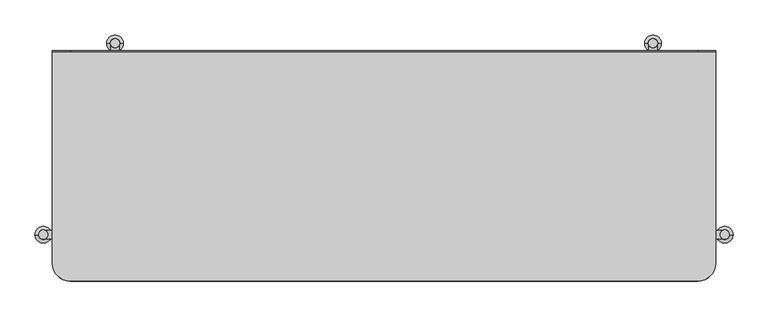
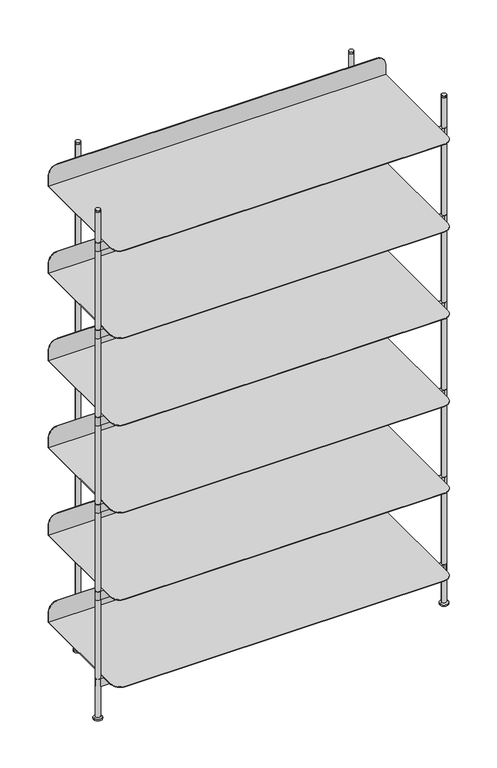
"""IFC4 building model written with IfcOpenShell, lengths in millimetres: furniture geometry."""

from ifc_helpers import new_model, si_unit, point, frame, frame_2d, origin, origin_with_axes, place, context, project, spatial, polyline, circle_curve, trimmed, segment, composite_curve, outline, extrude, source, transform, mapped, element, save
from ifc_brep_helpers import plane_surface, cylinder_surface, revolved_surface, advanced_brep


def furniture_cf4e018a(model_context):
    return source(origin(), model_context, "Body", "SolidModel", [
        advanced_brep(
        [(-575.0000044, -169.5200015, 1723.078596), (-544.5200044, -200.0000015, 1723.078596), (544.5200044, -200.0000015, 1723.078596), (575.0000044, -169.5200015, 1723.078596), (575.0000044, 197.9999964, 1723.078596), (-575.0000044, 197.9999964, 1723.078596), (-575.0000044, -169.5200015, 1721.0786), (-575.0000044, 200.0000015, 1721.0786), (575.0000044, 200.0000015, 1721.0786), (575.0000044, -169.5200015, 1721.0786), (544.5200044, -200.0000015, 1721.0786), (-544.5200044, -200.0000015, 1721.0786), (-575.0000044, 197.9999964, 1760.598606), (-575.0000044, 200.0000015, 1760.598606), (575.0000044, 200.0000015, 1760.598606), (575.0000044, 197.9999964, 1760.598606), (-544.5200044, 200.0000015, 1791.078606), (544.5200044, 200.0000015, 1791.078606), (544.5200044, 197.9999964, 1791.078606), (-544.5200044, 197.9999964, 1791.078606)],
        [
            (0, 1, circle_curve(frame((-544.5200044, -169.5200015, 1723.078596), z_axis=(0.0, 0.0, 1.0), x_axis=(1.0, 0.0, 0.0)), 30.48)),
            (1, 2),
            (2, 3, circle_curve(frame((544.5200044, -169.5200015, 1723.078596), z_axis=(0.0, 0.0, 1.0), x_axis=(1.0, 0.0, 0.0)), 30.48)),
            (3, 4),
            (4, 5),
            (5, 0),
            (6, 7),
            (7, 8),
            (8, 9),
            (9, 10, circle_curve(frame((544.5200044, -169.5200015, 1721.0786), z_axis=(0.0, 0.0, -1.0), x_axis=(1.0, 0.0, 0.0)), 30.48)),
            (10, 11),
            (11, 6, circle_curve(frame((-544.5200044, -169.5200015, 1721.0786), z_axis=(0.0, 0.0, -1.0), x_axis=(1.0, 0.0, 0.0)), 30.48)),
            (6, 0),
            (5, 12),
            (12, 13),
            (13, 7),
            (11, 1),
            (10, 2),
            (9, 3),
            (8, 14),
            (14, 15),
            (15, 4),
            (13, 16, circle_curve(frame((-544.5200044, 200.0000015, 1760.598606), z_axis=(0.0, 1.0, 0.0), x_axis=(0.0, 0.0, -1.0)), 30.48)),
            (16, 17),
            (17, 14, circle_curve(frame((544.5200044, 200.0000015, 1760.598606), z_axis=(0.0, 1.0, 0.0), x_axis=(0.0, 0.0, -1.0)), 30.48)),
            (15, 18, circle_curve(frame((544.5200044, 197.9999964, 1760.598606), z_axis=(0.0, -1.0, 0.0), x_axis=(0.0, 0.0, -1.0)), 30.48)),
            (18, 19),
            (19, 12, circle_curve(frame((-544.5200044, 197.9999964, 1760.598606), z_axis=(0.0, -1.0, 0.0), x_axis=(0.0, 0.0, -1.0)), 30.48)),
            (19, 16),
            (18, 17),
        ],
        [
            plane_surface(frame((-575.0000044, -169.9999977, 1723.078596), z_axis=(0.0, 0.0, 1.0), x_axis=(0.0, -1.0, 0.0))),
            plane_surface(frame((-575.0000044, -169.9999977, 1721.0786), z_axis=(0.0, 0.0, -1.0), x_axis=(0.0, 1.0, 0.0))),
            plane_surface(frame((-575.0000044, 200.0000015, 1723.078596), z_axis=(-1.0, 0.0, 0.0), x_axis=(0.0, 0.0, -1.0))),
            cylinder_surface(frame((-544.5200044, -169.5200015, 1721.0786), z_axis=(0.0, 0.0, 1.0), x_axis=(1.0, 0.0, 0.0)), 30.48),
            plane_surface(frame((-544.5200044, -200.0000015, 1723.078596), z_axis=(0.0, -1.0, 0.0), x_axis=(0.0, 0.0, -1.0))),
            cylinder_surface(frame((544.5200044, -169.5200015, 1721.0786), z_axis=(0.0, 0.0, 1.0), x_axis=(1.0, 0.0, 0.0)), 30.48),
            plane_surface(frame((575.0000044, -169.5200015, 1723.078596), z_axis=(1.0, 0.0, 0.0), x_axis=(0.0, 0.0, -1.0))),
            plane_surface(frame((575.0000044, 200.0000015, 1723.078596), z_axis=(0.0, 1.0, 0.0), x_axis=(0.0, 0.0, -1.0))),
            plane_surface(frame((-544.5200044, 197.9999964, 1730.118606), z_axis=(0.0, -1.0, 0.0), x_axis=(1.0, 0.0, 0.0))),
            cylinder_surface(frame((-544.5200044, 197.9999964, 1760.598606), z_axis=(0.0, 1.0, 0.0), x_axis=(0.0, 0.0, -1.0)), 30.48),
            plane_surface(frame((-544.5200044, 200.0000015, 1791.078606), z_axis=(0.0, 0.0, 1.0), x_axis=(0.0, -1.0, 0.0))),
            cylinder_surface(frame((544.5200044, 197.9999964, 1760.598606), z_axis=(0.0, 1.0, 0.0), x_axis=(0.0, 0.0, -1.0)), 30.48),
        ],
        [
            (0, [[1, 2, 3, 4, 5, 6]]),
            (1, [[7, 8, 9, 10, 11, 12]]),
            (2, [[13, -6, 14, 15, 16, -7]]),
            (3, [[-1, -13, -12, 17]]),
            (4, [[-2, -17, -11, 18]]),
            (5, [[-3, -18, -10, 19]]),
            (6, [[-19, -9, 20, 21, 22, -4]]),
            (7, [[-20, -8, -16, 23, 24, 25]]),
            (8, [[26, 27, 28, -14, -5, -22]]),
            (9, [[-28, 29, -23, -15]]),
            (10, [[-27, 30, -24, -29]]),
            (11, [[-26, -21, -25, -30]]),
        ],
    ),
        extrude(outline(composite_curve([segment(polyline([(-459.0003625, 209.8658567), (-459.0003625, -112.0003856), (459.0003625, -112.0003856), (459.0003625, 209.8658567)]), True, "CONTINUOUS"), segment(trimmed(circle_curve(frame_2d((466.5001591, 212.9991354)), 8.128), [point((459.0003625, 209.8658567))], [point((473.999992, 209.8659437))], False, "CARTESIAN"), True, "CONTINUOUS"), segment(polyline([(473.999992, 209.8659437), (473.999992, -112.0003856), (587.8668609, -112.0003856)]), True, "CONTINUOUS"), segment(trimmed(circle_curve(frame_2d((591.0001179, -119.5001913)), 8.128), [point((587.8668609, -112.0003856))], [point((587.8668609, -126.999997))], False, "CARTESIAN"), True, "CONTINUOUS"), segment(polyline([(587.8668609, -126.999997), (-587.8668609, -126.999997)]), True, "CONTINUOUS"), segment(trimmed(circle_curve(frame_2d((-591.0001179, -119.5001913)), 8.128), [point((-587.8668609, -126.999997))], [point((-587.8668609, -112.0003856))], False, "CARTESIAN"), True, "CONTINUOUS"), segment(polyline([(-587.8668609, -112.0003856), (-473.999992, -112.0003856), (-473.999992, 209.8659437)]), True, "CONTINUOUS"), segment(trimmed(circle_curve(frame_2d((-466.5001591, 212.9991354)), 8.128), [point((-473.999992, 209.8659437))], [point((-459.0003625, 209.8658567))], False, "CARTESIAN"), True, "CONTINUOUS")], self_intersect=False)), frame((0.0, 0.0, 1691.0785961), z_axis=(0.0, 0.0, 1.0), x_axis=(1.0, 0.0, 0.0)), (0.0, 0.0, 1.0), 30.0000039),
        advanced_brep(
        [(-575.0000044, -169.5200015, 1408.093196), (-544.5200044, -200.0000015, 1408.093196), (544.5200044, -200.0000015, 1408.093196), (575.0000044, -169.5200015, 1408.093196), (575.0000044, 197.9999964, 1408.093196), (-575.0000044, 197.9999964, 1408.093196), (-575.0000044, -169.5200015, 1406.0932), (-575.0000044, 200.0000015, 1406.0932), (575.0000044, 200.0000015, 1406.0932), (575.0000044, -169.5200015, 1406.0932), (544.5200044, -200.0000015, 1406.0932), (-544.5200044, -200.0000015, 1406.0932), (-575.0000044, 197.9999964, 1445.613206), (-575.0000044, 200.0000015, 1445.613206), (575.0000044, 200.0000015, 1445.613206), (575.0000044, 197.9999964, 1445.613206), (-544.5200044, 200.0000015, 1476.093206), (544.5200044, 200.0000015, 1476.093206), (544.5200044, 197.9999964, 1476.093206), (-544.5200044, 197.9999964, 1476.093206)],
        [
            (0, 1, circle_curve(frame((-544.5200044, -169.5200015, 1408.093196), z_axis=(0.0, 0.0, 1.0), x_axis=(1.0, 0.0, 0.0)), 30.48)),
            (1, 2),
            (2, 3, circle_curve(frame((544.5200044, -169.5200015, 1408.093196), z_axis=(0.0, 0.0, 1.0), x_axis=(1.0, 0.0, 0.0)), 30.48)),
            (3, 4),
            (4, 5),
            (5, 0),
            (6, 7),
            (7, 8),
            (8, 9),
            (9, 10, circle_curve(frame((544.5200044, -169.5200015, 1406.0932), z_axis=(0.0, 0.0, -1.0), x_axis=(1.0, 0.0, 0.0)), 30.48)),
            (10, 11),
            (11, 6, circle_curve(frame((-544.5200044, -169.5200015, 1406.0932), z_axis=(0.0, 0.0, -1.0), x_axis=(1.0, 0.0, 0.0)), 30.48)),
            (6, 0),
            (5, 12),
            (12, 13),
            (13, 7),
            (11, 1),
            (10, 2),
            (9, 3),
            (8, 14),
            (14, 15),
            (15, 4),
            (13, 16, circle_curve(frame((-544.5200044, 200.0000015, 1445.613206), z_axis=(0.0, 1.0, 0.0), x_axis=(0.0, 0.0, -1.0)), 30.48)),
            (16, 17),
            (17, 14, circle_curve(frame((544.5200044, 200.0000015, 1445.613206), z_axis=(0.0, 1.0, 0.0), x_axis=(0.0, 0.0, -1.0)), 30.48)),
            (15, 18, circle_curve(frame((544.5200044, 197.9999964, 1445.613206), z_axis=(0.0, -1.0, 0.0), x_axis=(0.0, 0.0, -1.0)), 30.48)),
            (18, 19),
            (19, 12, circle_curve(frame((-544.5200044, 197.9999964, 1445.613206), z_axis=(0.0, -1.0, 0.0), x_axis=(0.0, 0.0, -1.0)), 30.48)),
            (19, 16),
            (18, 17),
        ],
        [
            plane_surface(frame((-575.0000044, -169.9999977, 1408.093196), z_axis=(0.0, 0.0, 1.0), x_axis=(0.0, -1.0, 0.0))),
            plane_surface(frame((-575.0000044, -169.9999977, 1406.0932), z_axis=(0.0, 0.0, -1.0), x_axis=(0.0, 1.0, 0.0))),
            plane_surface(frame((-575.0000044, 200.0000015, 1408.093196), z_axis=(-1.0, 0.0, 0.0), x_axis=(0.0, 0.0, -1.0))),
            cylinder_surface(frame((-544.5200044, -169.5200015, 1406.0932), z_axis=(0.0, 0.0, 1.0), x_axis=(1.0, 0.0, 0.0)), 30.48),
            plane_surface(frame((-544.5200044, -200.0000015, 1408.093196), z_axis=(0.0, -1.0, 0.0), x_axis=(0.0, 0.0, -1.0))),
            cylinder_surface(frame((544.5200044, -169.5200015, 1406.0932), z_axis=(0.0, 0.0, 1.0), x_axis=(1.0, 0.0, 0.0)), 30.48),
            plane_surface(frame((575.0000044, -169.5200015, 1408.093196), z_axis=(1.0, 0.0, 0.0), x_axis=(0.0, 0.0, -1.0))),
            plane_surface(frame((575.0000044, 200.0000015, 1408.093196), z_axis=(0.0, 1.0, 0.0), x_axis=(0.0, 0.0, -1.0))),
            plane_surface(frame((-544.5200044, 197.9999964, 1415.133206), z_axis=(0.0, -1.0, 0.0), x_axis=(1.0, 0.0, 0.0))),
            cylinder_surface(frame((-544.5200044, 197.9999964, 1445.613206), z_axis=(0.0, 1.0, 0.0), x_axis=(0.0, 0.0, -1.0)), 30.48),
            plane_surface(frame((-544.5200044, 200.0000015, 1476.093206), z_axis=(0.0, 0.0, 1.0), x_axis=(0.0, -1.0, 0.0))),
            cylinder_surface(frame((544.5200044, 197.9999964, 1445.613206), z_axis=(0.0, 1.0, 0.0), x_axis=(0.0, 0.0, -1.0)), 30.48),
        ],
        [
            (0, [[1, 2, 3, 4, 5, 6]]),
            (1, [[7, 8, 9, 10, 11, 12]]),
            (2, [[13, -6, 14, 15, 16, -7]]),
            (3, [[-1, -13, -12, 17]]),
            (4, [[-2, -17, -11, 18]]),
            (5, [[-3, -18, -10, 19]]),
            (6, [[-19, -9, 20, 21, 22, -4]]),
            (7, [[-20, -8, -16, 23, 24, 25]]),
            (8, [[26, 27, 28, -14, -5, -22]]),
            (9, [[-28, 29, -23, -15]]),
            (10, [[-27, 30, -24, -29]]),
            (11, [[-26, -21, -25, -30]]),
        ],
    ),
        extrude(outline(composite_curve([segment(polyline([(-459.0003625, 209.8658567), (-459.0003625, -112.0003856), (459.0003625, -112.0003856), (459.0003625, 209.8658567)]), True, "CONTINUOUS"), segment(trimmed(circle_curve(frame_2d((466.5001591, 212.9991354)), 8.128), [point((459.0003625, 209.8658567))], [point((473.999992, 209.8659437))], False, "CARTESIAN"), True, "CONTINUOUS"), segment(polyline([(473.999992, 209.8659437), (473.999992, -112.0003856), (587.8668609, -112.0003856)]), True, "CONTINUOUS"), segment(trimmed(circle_curve(frame_2d((591.0001179, -119.5001913)), 8.128), [point((587.8668609, -112.0003856))], [point((587.8668609, -126.999997))], False, "CARTESIAN"), True, "CONTINUOUS"), segment(polyline([(587.8668609, -126.999997), (-587.8668609, -126.999997)]), True, "CONTINUOUS"), segment(trimmed(circle_curve(frame_2d((-591.0001179, -119.5001913)), 8.128), [point((-587.8668609, -126.999997))], [point((-587.8668609, -112.0003856))], False, "CARTESIAN"), True, "CONTINUOUS"), segment(polyline([(-587.8668609, -112.0003856), (-473.999992, -112.0003856), (-473.999992, 209.8659437)]), True, "CONTINUOUS"), segment(trimmed(circle_curve(frame_2d((-466.5001591, 212.9991354)), 8.128), [point((-473.999992, 209.8659437))], [point((-459.0003625, 209.8658567))], False, "CARTESIAN"), True, "CONTINUOUS")], self_intersect=False)), frame((0.0, 0.0, 1376.0931961), z_axis=(0.0, 0.0, 1.0), x_axis=(1.0, 0.0, 0.0)), (0.0, 0.0, 1.0), 30.0000039),
        advanced_brep(
        [(-575.0000044, -169.5200015, 1093.107796), (-544.5200044, -200.0000015, 1093.107796), (544.5200044, -200.0000015, 1093.107796), (575.0000044, -169.5200015, 1093.107796), (575.0000044, 197.9999964, 1093.107796), (-575.0000044, 197.9999964, 1093.107796), (-575.0000044, -169.5200015, 1091.1078), (-575.0000044, 200.0000015, 1091.1078), (575.0000044, 200.0000015, 1091.1078), (575.0000044, -169.5200015, 1091.1078), (544.5200044, -200.0000015, 1091.1078), (-544.5200044, -200.0000015, 1091.1078), (-575.0000044, 197.9999964, 1130.627806), (-575.0000044, 200.0000015, 1130.627806), (575.0000044, 200.0000015, 1130.627806), (575.0000044, 197.9999964, 1130.627806), (-544.5200044, 200.0000015, 1161.107806), (544.5200044, 200.0000015, 1161.107806), (544.5200044, 197.9999964, 1161.107806), (-544.5200044, 197.9999964, 1161.107806)],
        [
            (0, 1, circle_curve(frame((-544.5200044, -169.5200015, 1093.107796), z_axis=(0.0, 0.0, 1.0), x_axis=(1.0, 0.0, 0.0)), 30.48)),
            (1, 2),
            (2, 3, circle_curve(frame((544.5200044, -169.5200015, 1093.107796), z_axis=(0.0, 0.0, 1.0), x_axis=(1.0, 0.0, 0.0)), 30.48)),
            (3, 4),
            (4, 5),
            (5, 0),
            (6, 7),
            (7, 8),
            (8, 9),
            (9, 10, circle_curve(frame((544.5200044, -169.5200015, 1091.1078), z_axis=(0.0, 0.0, -1.0), x_axis=(1.0, 0.0, 0.0)), 30.48)),
            (10, 11),
            (11, 6, circle_curve(frame((-544.5200044, -169.5200015, 1091.1078), z_axis=(0.0, 0.0, -1.0), x_axis=(1.0, 0.0, 0.0)), 30.48)),
            (6, 0),
            (5, 12),
            (12, 13),
            (13, 7),
            (11, 1),
            (10, 2),
            (9, 3),
            (8, 14),
            (14, 15),
            (15, 4),
            (13, 16, circle_curve(frame((-544.5200044, 200.0000015, 1130.627806), z_axis=(0.0, 1.0, 0.0), x_axis=(0.0, 0.0, -1.0)), 30.48)),
            (16, 17),
            (17, 14, circle_curve(frame((544.5200044, 200.0000015, 1130.627806), z_axis=(0.0, 1.0, 0.0), x_axis=(0.0, 0.0, -1.0)), 30.48)),
            (15, 18, circle_curve(frame((544.5200044, 197.9999964, 1130.627806), z_axis=(0.0, -1.0, 0.0), x_axis=(0.0, 0.0, -1.0)), 30.48)),
            (18, 19),
            (19, 12, circle_curve(frame((-544.5200044, 197.9999964, 1130.627806), z_axis=(0.0, -1.0, 0.0), x_axis=(0.0, 0.0, -1.0)), 30.48)),
            (19, 16),
            (18, 17),
        ],
        [
            plane_surface(frame((-575.0000044, -169.9999977, 1093.107796), z_axis=(0.0, 0.0, 1.0), x_axis=(0.0, -1.0, 0.0))),
            plane_surface(frame((-575.0000044, -169.9999977, 1091.1078), z_axis=(0.0, 0.0, -1.0), x_axis=(0.0, 1.0, 0.0))),
            plane_surface(frame((-575.0000044, 200.0000015, 1093.107796), z_axis=(-1.0, 0.0, 0.0), x_axis=(0.0, 0.0, -1.0))),
            cylinder_surface(frame((-544.5200044, -169.5200015, 1091.1078), z_axis=(0.0, 0.0, 1.0), x_axis=(1.0, 0.0, 0.0)), 30.48),
            plane_surface(frame((-544.5200044, -200.0000015, 1093.107796), z_axis=(0.0, -1.0, 0.0), x_axis=(0.0, 0.0, -1.0))),
            cylinder_surface(frame((544.5200044, -169.5200015, 1091.1078), z_axis=(0.0, 0.0, 1.0), x_axis=(1.0, 0.0, 0.0)), 30.48),
            plane_surface(frame((575.0000044, -169.5200015, 1093.107796), z_axis=(1.0, 0.0, 0.0), x_axis=(0.0, 0.0, -1.0))),
            plane_surface(frame((575.0000044, 200.0000015, 1093.107796), z_axis=(0.0, 1.0, 0.0), x_axis=(0.0, 0.0, -1.0))),
            plane_surface(frame((-544.5200044, 197.9999964, 1100.147806), z_axis=(0.0, -1.0, 0.0), x_axis=(1.0, 0.0, 0.0))),
            cylinder_surface(frame((-544.5200044, 197.9999964, 1130.627806), z_axis=(0.0, 1.0, 0.0), x_axis=(0.0, 0.0, -1.0)), 30.48),
            plane_surface(frame((-544.5200044, 200.0000015, 1161.107806), z_axis=(0.0, 0.0, 1.0), x_axis=(0.0, -1.0, 0.0))),
            cylinder_surface(frame((544.5200044, 197.9999964, 1130.627806), z_axis=(0.0, 1.0, 0.0), x_axis=(0.0, 0.0, -1.0)), 30.48),
        ],
        [
            (0, [[1, 2, 3, 4, 5, 6]]),
            (1, [[7, 8, 9, 10, 11, 12]]),
            (2, [[13, -6, 14, 15, 16, -7]]),
            (3, [[-1, -13, -12, 17]]),
            (4, [[-2, -17, -11, 18]]),
            (5, [[-3, -18, -10, 19]]),
            (6, [[-19, -9, 20, 21, 22, -4]]),
            (7, [[-20, -8, -16, 23, 24, 25]]),
            (8, [[26, 27, 28, -14, -5, -22]]),
            (9, [[-28, 29, -23, -15]]),
            (10, [[-27, 30, -24, -29]]),
            (11, [[-26, -21, -25, -30]]),
        ],
    ),
        extrude(outline(composite_curve([segment(polyline([(-459.0003625, 209.8658567), (-459.0003625, -112.0003856), (459.0003625, -112.0003856), (459.0003625, 209.8658567)]), True, "CONTINUOUS"), segment(trimmed(circle_curve(frame_2d((466.5001591, 212.9991354)), 8.128), [point((459.0003625, 209.8658567))], [point((473.999992, 209.8659437))], False, "CARTESIAN"), True, "CONTINUOUS"), segment(polyline([(473.999992, 209.8659437), (473.999992, -112.0003856), (587.8668609, -112.0003856)]), True, "CONTINUOUS"), segment(trimmed(circle_curve(frame_2d((591.0001179, -119.5001913)), 8.128), [point((587.8668609, -112.0003856))], [point((587.8668609, -126.999997))], False, "CARTESIAN"), True, "CONTINUOUS"), segment(polyline([(587.8668609, -126.999997), (-587.8668609, -126.999997)]), True, "CONTINUOUS"), segment(trimmed(circle_curve(frame_2d((-591.0001179, -119.5001913)), 8.128), [point((-587.8668609, -126.999997))], [point((-587.8668609, -112.0003856))], False, "CARTESIAN"), True, "CONTINUOUS"), segment(polyline([(-587.8668609, -112.0003856), (-473.999992, -112.0003856), (-473.999992, 209.8659437)]), True, "CONTINUOUS"), segment(trimmed(circle_curve(frame_2d((-466.5001591, 212.9991354)), 8.128), [point((-473.999992, 209.8659437))], [point((-459.0003625, 209.8658567))], False, "CARTESIAN"), True, "CONTINUOUS")], self_intersect=False)), frame((0.0, 0.0, 1061.1077961), z_axis=(0.0, 0.0, 1.0), x_axis=(1.0, 0.0, 0.0)), (0.0, 0.0, 1.0), 30.0000039),
        advanced_brep(
        [(-575.0000044, -169.5200015, 778.122396), (-544.5200044, -200.0000015, 778.122396), (544.5200044, -200.0000015, 778.122396), (575.0000044, -169.5200015, 778.122396), (575.0000044, 197.9999964, 778.122396), (-575.0000044, 197.9999964, 778.122396), (-575.0000044, -169.5200015, 776.1224), (-575.0000044, 200.0000015, 776.1224), (575.0000044, 200.0000015, 776.1224), (575.0000044, -169.5200015, 776.1224), (544.5200044, -200.0000015, 776.1224), (-544.5200044, -200.0000015, 776.1224), (-575.0000044, 197.9999964, 815.642406), (-575.0000044, 200.0000015, 815.642406), (575.0000044, 200.0000015, 815.642406), (575.0000044, 197.9999964, 815.642406), (-544.5200044, 200.0000015, 846.122406), (544.5200044, 200.0000015, 846.122406), (544.5200044, 197.9999964, 846.122406), (-544.5200044, 197.9999964, 846.122406)],
        [
            (0, 1, circle_curve(frame((-544.5200044, -169.5200015, 778.122396), z_axis=(0.0, 0.0, 1.0), x_axis=(1.0, 0.0, 0.0)), 30.48)),
            (1, 2),
            (2, 3, circle_curve(frame((544.5200044, -169.5200015, 778.122396), z_axis=(0.0, 0.0, 1.0), x_axis=(1.0, 0.0, 0.0)), 30.48)),
            (3, 4),
            (4, 5),
            (5, 0),
            (6, 7),
            (7, 8),
            (8, 9),
            (9, 10, circle_curve(frame((544.5200044, -169.5200015, 776.1224), z_axis=(0.0, 0.0, -1.0), x_axis=(1.0, 0.0, 0.0)), 30.48)),
            (10, 11),
            (11, 6, circle_curve(frame((-544.5200044, -169.5200015, 776.1224), z_axis=(0.0, 0.0, -1.0), x_axis=(1.0, 0.0, 0.0)), 30.48)),
            (6, 0),
            (5, 12),
            (12, 13),
            (13, 7),
            (11, 1),
            (10, 2),
            (9, 3),
            (8, 14),
            (14, 15),
            (15, 4),
            (13, 16, circle_curve(frame((-544.5200044, 200.0000015, 815.642406), z_axis=(0.0, 1.0, 0.0), x_axis=(0.0, 0.0, -1.0)), 30.48)),
            (16, 17),
            (17, 14, circle_curve(frame((544.5200044, 200.0000015, 815.642406), z_axis=(0.0, 1.0, 0.0), x_axis=(0.0, 0.0, -1.0)), 30.48)),
            (15, 18, circle_curve(frame((544.5200044, 197.9999964, 815.642406), z_axis=(0.0, -1.0, 0.0), x_axis=(0.0, 0.0, -1.0)), 30.48)),
            (18, 19),
            (19, 12, circle_curve(frame((-544.5200044, 197.9999964, 815.642406), z_axis=(0.0, -1.0, 0.0), x_axis=(0.0, 0.0, -1.0)), 30.48)),
            (19, 16),
            (18, 17),
        ],
        [
            plane_surface(frame((-575.0000044, -169.9999977, 778.122396), z_axis=(0.0, 0.0, 1.0), x_axis=(0.0, -1.0, 0.0))),
            plane_surface(frame((-575.0000044, -169.9999977, 776.1224), z_axis=(0.0, 0.0, -1.0), x_axis=(0.0, 1.0, 0.0))),
            plane_surface(frame((-575.0000044, 200.0000015, 778.122396), z_axis=(-1.0, 0.0, 0.0), x_axis=(0.0, 0.0, -1.0))),
            cylinder_surface(frame((-544.5200044, -169.5200015, 776.1224), z_axis=(0.0, 0.0, 1.0), x_axis=(1.0, 0.0, 0.0)), 30.48),
            plane_surface(frame((-544.5200044, -200.0000015, 778.122396), z_axis=(0.0, -1.0, 0.0), x_axis=(0.0, 0.0, -1.0))),
            cylinder_surface(frame((544.5200044, -169.5200015, 776.1224), z_axis=(0.0, 0.0, 1.0), x_axis=(1.0, 0.0, 0.0)), 30.48),
            plane_surface(frame((575.0000044, -169.5200015, 778.122396), z_axis=(1.0, 0.0, 0.0), x_axis=(0.0, 0.0, -1.0))),
            plane_surface(frame((575.0000044, 200.0000015, 778.122396), z_axis=(0.0, 1.0, 0.0), x_axis=(0.0, 0.0, -1.0))),
            plane_surface(frame((-544.5200044, 197.9999964, 785.162406), z_axis=(0.0, -1.0, 0.0), x_axis=(1.0, 0.0, 0.0))),
            cylinder_surface(frame((-544.5200044, 197.9999964, 815.642406), z_axis=(0.0, 1.0, 0.0), x_axis=(0.0, 0.0, -1.0)), 30.48),
            plane_surface(frame((-544.5200044, 200.0000015, 846.122406), z_axis=(0.0, 0.0, 1.0), x_axis=(0.0, -1.0, 0.0))),
            cylinder_surface(frame((544.5200044, 197.9999964, 815.642406), z_axis=(0.0, 1.0, 0.0), x_axis=(0.0, 0.0, -1.0)), 30.48),
        ],
        [
            (0, [[1, 2, 3, 4, 5, 6]]),
            (1, [[7, 8, 9, 10, 11, 12]]),
            (2, [[13, -6, 14, 15, 16, -7]]),
            (3, [[-1, -13, -12, 17]]),
            (4, [[-2, -17, -11, 18]]),
            (5, [[-3, -18, -10, 19]]),
            (6, [[-19, -9, 20, 21, 22, -4]]),
            (7, [[-20, -8, -16, 23, 24, 25]]),
            (8, [[26, 27, 28, -14, -5, -22]]),
            (9, [[-28, 29, -23, -15]]),
            (10, [[-27, 30, -24, -29]]),
            (11, [[-26, -21, -25, -30]]),
        ],
    ),
        extrude(outline(composite_curve([segment(polyline([(-459.0003625, 209.8658567), (-459.0003625, -112.0003856), (459.0003625, -112.0003856), (459.0003625, 209.8658567)]), True, "CONTINUOUS"), segment(trimmed(circle_curve(frame_2d((466.5001591, 212.9991354)), 8.128), [point((459.0003625, 209.8658567))], [point((473.999992, 209.8659437))], False, "CARTESIAN"), True, "CONTINUOUS"), segment(polyline([(473.999992, 209.8659437), (473.999992, -112.0003856), (587.8668609, -112.0003856)]), True, "CONTINUOUS"), segment(trimmed(circle_curve(frame_2d((591.0001179, -119.5001913)), 8.128), [point((587.8668609, -112.0003856))], [point((587.8668609, -126.999997))], False, "CARTESIAN"), True, "CONTINUOUS"), segment(polyline([(587.8668609, -126.999997), (-587.8668609, -126.999997)]), True, "CONTINUOUS"), segment(trimmed(circle_curve(frame_2d((-591.0001179, -119.5001913)), 8.128), [point((-587.8668609, -126.999997))], [point((-587.8668609, -112.0003856))], False, "CARTESIAN"), True, "CONTINUOUS"), segment(polyline([(-587.8668609, -112.0003856), (-473.999992, -112.0003856), (-473.999992, 209.8659437)]), True, "CONTINUOUS"), segment(trimmed(circle_curve(frame_2d((-466.5001591, 212.9991354)), 8.128), [point((-473.999992, 209.8659437))], [point((-459.0003625, 209.8658567))], False, "CARTESIAN"), True, "CONTINUOUS")], self_intersect=False)), frame((0.0, 0.0, 746.1223961), z_axis=(0.0, 0.0, 1.0), x_axis=(1.0, 0.0, 0.0)), (0.0, 0.0, 1.0), 30.0000039),
        advanced_brep(
        [(-575.0000044, -169.5200015, 463.136996), (-544.5200044, -200.0000015, 463.136996), (544.5200044, -200.0000015, 463.136996), (575.0000044, -169.5200015, 463.136996), (575.0000044, 197.9999964, 463.136996), (-575.0000044, 197.9999964, 463.136996), (-575.0000044, -169.5200015, 461.137), (-575.0000044, 200.0000015, 461.137), (575.0000044, 200.0000015, 461.137), (575.0000044, -169.5200015, 461.137), (544.5200044, -200.0000015, 461.137), (-544.5200044, -200.0000015, 461.137), (-575.0000044, 197.9999964, 500.657006), (-575.0000044, 200.0000015, 500.657006), (575.0000044, 200.0000015, 500.657006), (575.0000044, 197.9999964, 500.657006), (-544.5200044, 200.0000015, 531.137006), (544.5200044, 200.0000015, 531.137006), (544.5200044, 197.9999964, 531.137006), (-544.5200044, 197.9999964, 531.137006)],
        [
            (0, 1, circle_curve(frame((-544.5200044, -169.5200015, 463.136996), z_axis=(0.0, 0.0, 1.0), x_axis=(1.0, 0.0, 0.0)), 30.48)),
            (1, 2),
            (2, 3, circle_curve(frame((544.5200044, -169.5200015, 463.136996), z_axis=(0.0, 0.0, 1.0), x_axis=(1.0, 0.0, 0.0)), 30.48)),
            (3, 4),
            (4, 5),
            (5, 0),
            (6, 7),
            (7, 8),
            (8, 9),
            (9, 10, circle_curve(frame((544.5200044, -169.5200015, 461.137), z_axis=(0.0, 0.0, -1.0), x_axis=(1.0, 0.0, 0.0)), 30.48)),
            (10, 11),
            (11, 6, circle_curve(frame((-544.5200044, -169.5200015, 461.137), z_axis=(0.0, 0.0, -1.0), x_axis=(1.0, 0.0, 0.0)), 30.48)),
            (6, 0),
            (5, 12),
            (12, 13),
            (13, 7),
            (11, 1),
            (10, 2),
            (9, 3),
            (8, 14),
            (14, 15),
            (15, 4),
            (13, 16, circle_curve(frame((-544.5200044, 200.0000015, 500.657006), z_axis=(0.0, 1.0, 0.0), x_axis=(0.0, 0.0, -1.0)), 30.48)),
            (16, 17),
            (17, 14, circle_curve(frame((544.5200044, 200.0000015, 500.657006), z_axis=(0.0, 1.0, 0.0), x_axis=(0.0, 0.0, -1.0)), 30.48)),
            (15, 18, circle_curve(frame((544.5200044, 197.9999964, 500.657006), z_axis=(0.0, -1.0, 0.0), x_axis=(0.0, 0.0, -1.0)), 30.48)),
            (18, 19),
            (19, 12, circle_curve(frame((-544.5200044, 197.9999964, 500.657006), z_axis=(0.0, -1.0, 0.0), x_axis=(0.0, 0.0, -1.0)), 30.48)),
            (19, 16),
            (18, 17),
        ],
        [
            plane_surface(frame((-575.0000044, -169.9999977, 463.136996), z_axis=(0.0, 0.0, 1.0), x_axis=(0.0, -1.0, 0.0))),
            plane_surface(frame((-575.0000044, -169.9999977, 461.137), z_axis=(0.0, 0.0, -1.0), x_axis=(0.0, 1.0, 0.0))),
            plane_surface(frame((-575.0000044, 200.0000015, 463.136996), z_axis=(-1.0, 0.0, 0.0), x_axis=(0.0, 0.0, -1.0))),
            cylinder_surface(frame((-544.5200044, -169.5200015, 461.137), z_axis=(0.0, 0.0, 1.0), x_axis=(1.0, 0.0, 0.0)), 30.48),
            plane_surface(frame((-544.5200044, -200.0000015, 463.136996), z_axis=(0.0, -1.0, 0.0), x_axis=(0.0, 0.0, -1.0))),
            cylinder_surface(frame((544.5200044, -169.5200015, 461.137), z_axis=(0.0, 0.0, 1.0), x_axis=(1.0, 0.0, 0.0)), 30.48),
            plane_surface(frame((575.0000044, -169.5200015, 463.136996), z_axis=(1.0, 0.0, 0.0), x_axis=(0.0, 0.0, -1.0))),
            plane_surface(frame((575.0000044, 200.0000015, 463.136996), z_axis=(0.0, 1.0, 0.0), x_axis=(0.0, 0.0, -1.0))),
            plane_surface(frame((-544.5200044, 197.9999964, 470.177006), z_axis=(0.0, -1.0, 0.0), x_axis=(1.0, 0.0, 0.0))),
            cylinder_surface(frame((-544.5200044, 197.9999964, 500.657006), z_axis=(0.0, 1.0, 0.0), x_axis=(0.0, 0.0, -1.0)), 30.48),
            plane_surface(frame((-544.5200044, 200.0000015, 531.137006), z_axis=(0.0, 0.0, 1.0), x_axis=(0.0, -1.0, 0.0))),
            cylinder_surface(frame((544.5200044, 197.9999964, 500.657006), z_axis=(0.0, 1.0, 0.0), x_axis=(0.0, 0.0, -1.0)), 30.48),
        ],
        [
            (0, [[1, 2, 3, 4, 5, 6]]),
            (1, [[7, 8, 9, 10, 11, 12]]),
            (2, [[13, -6, 14, 15, 16, -7]]),
            (3, [[-1, -13, -12, 17]]),
            (4, [[-2, -17, -11, 18]]),
            (5, [[-3, -18, -10, 19]]),
            (6, [[-19, -9, 20, 21, 22, -4]]),
            (7, [[-20, -8, -16, 23, 24, 25]]),
            (8, [[26, 27, 28, -14, -5, -22]]),
            (9, [[-28, 29, -23, -15]]),
            (10, [[-27, 30, -24, -29]]),
            (11, [[-26, -21, -25, -30]]),
        ],
    ),
        extrude(outline(composite_curve([segment(polyline([(-459.0003625, 209.8658567), (-459.0003625, -112.0003856), (459.0003625, -112.0003856), (459.0003625, 209.8658567)]), True, "CONTINUOUS"), segment(trimmed(circle_curve(frame_2d((466.5001591, 212.9991354)), 8.128), [point((459.0003625, 209.8658567))], [point((473.999992, 209.8659437))], False, "CARTESIAN"), True, "CONTINUOUS"), segment(polyline([(473.999992, 209.8659437), (473.999992, -112.0003856), (587.8668609, -112.0003856)]), True, "CONTINUOUS"), segment(trimmed(circle_curve(frame_2d((591.0001179, -119.5001913)), 8.128), [point((587.8668609, -112.0003856))], [point((587.8668609, -126.999997))], False, "CARTESIAN"), True, "CONTINUOUS"), segment(polyline([(587.8668609, -126.999997), (-587.8668609, -126.999997)]), True, "CONTINUOUS"), segment(trimmed(circle_curve(frame_2d((-591.0001179, -119.5001913)), 8.128), [point((-587.8668609, -126.999997))], [point((-587.8668609, -112.0003856))], False, "CARTESIAN"), True, "CONTINUOUS"), segment(polyline([(-587.8668609, -112.0003856), (-473.999992, -112.0003856), (-473.999992, 209.8659437)]), True, "CONTINUOUS"), segment(trimmed(circle_curve(frame_2d((-466.5001591, 212.9991354)), 8.128), [point((-473.999992, 209.8659437))], [point((-459.0003625, 209.8658567))], False, "CARTESIAN"), True, "CONTINUOUS")], self_intersect=False)), frame((0.0, 0.0, 431.1369961), z_axis=(0.0, 0.0, 1.0), x_axis=(1.0, 0.0, 0.0)), (0.0, 0.0, 1.0), 30.0000039),
        extrude(outline(composite_curve([segment(trimmed(circle_curve(frame_2d((591.0001179, -119.5001913)), 7.9999841), [point((591.0001179, -111.5002072))], [point((591.0001179, -127.5001754))], False, "CARTESIAN"), True, "CONTINUOUS"), segment(trimmed(circle_curve(frame_2d((591.0001179, -119.5001913)), 7.9999841), [point((591.0001179, -127.5001754))], [point((591.0001179, -111.5002072))], False, "CARTESIAN"), True, "CONTINUOUS")], self_intersect=False)), frame((0.0, 0.0, 1831.721), z_axis=(0.0, 0.0, 1.0), x_axis=(1.0, 0.0, 0.0)), (0.0, 0.0, 1.0), 5.715),
        extrude(outline(composite_curve([segment(trimmed(circle_curve(frame_2d((591.0001179, -119.5001913)), 7.9999841), [point((599.0001019, -119.5001913))], [point((583.0001338, -119.5001913))], False, "CARTESIAN"), True, "CONTINUOUS"), segment(trimmed(circle_curve(frame_2d((591.0001179, -119.5001913)), 7.9999841), [point((583.0001338, -119.5001913))], [point((599.0001019, -119.5001913))], False, "CARTESIAN"), True, "CONTINUOUS")], self_intersect=False)), origin_with_axes(), (0.0, 0.0, 1.0), 1831.721),
        advanced_brep(
        [(576.5035827, -119.5001913, 0.0), (605.4966531, -119.5001913, 0.0), (599.0001019, -119.5001913, 0.0), (583.0001338, -119.5001913, 0.0), (576.5035827, -119.5001913, 4.5288678), (605.4966531, -119.5001913, 4.5288678), (583.0001338, -119.5001913, 8.2092503), (599.0001019, -119.5001913, 8.2092503)],
        [
            (0, 1, circle_curve(frame((591.0001179, -119.5001913, 0.0), z_axis=(0.0, 0.0, -1.0), x_axis=(1.0, 0.0, 0.0)), 14.4965352)),
            (1, 2),
            (2, 3, circle_curve(frame((591.0001179, -119.5001913, 0.0), z_axis=(0.0, 0.0, 1.0), x_axis=(1.0, 0.0, 0.0)), 7.9999841)),
            (3, 0),
            (4, 5, circle_curve(frame((591.0001179, -119.5001913, 4.5288678), z_axis=(0.0, 0.0, -1.0), x_axis=(1.0, 0.0, 0.0)), 14.4965352)),
            (5, 1),
            (0, 4),
            (6, 7, circle_curve(frame((591.0001179, -119.5001913, 8.2092503), z_axis=(0.0, 0.0, -1.0), x_axis=(1.0, 0.0, 0.0)), 7.9999841)),
            (7, 5),
            (4, 6),
            (2, 7),
            (6, 3),
            (1, 0, circle_curve(frame((591.0001179, -119.5001913, 0.0), z_axis=(0.0, 0.0, -1.0), x_axis=(1.0, 0.0, 0.0)), 14.4965352)),
            (3, 2, circle_curve(frame((591.0001179, -119.5001913, 0.0), z_axis=(0.0, 0.0, 1.0), x_axis=(1.0, 0.0, 0.0)), 7.9999841)),
            (5, 4, circle_curve(frame((591.0001179, -119.5001913, 4.5288678), z_axis=(0.0, 0.0, -1.0), x_axis=(1.0, 0.0, 0.0)), 14.4965352)),
            (7, 6, circle_curve(frame((591.0001179, -119.5001913, 8.2092503), z_axis=(0.0, 0.0, -1.0), x_axis=(1.0, 0.0, 0.0)), 7.9999841)),
        ],
        [
            plane_surface(frame((591.0001179, -119.5001913, 0.0), z_axis=(0.0, 0.0, -1.0), x_axis=(1.0, 0.0, 0.0))),
            cylinder_surface(frame((591.0001179, -119.5001913, 6.2978812), z_axis=(0.0, 0.0, 1.0), x_axis=(1.0, 0.0, 0.0)), 14.4965352),
            revolved_surface(polyline([(605.4966531, -119.5001913, 4.5288678), (599.0001019, -119.5001913, 8.2092503)]), (591.0001179, -119.5001913, 6.2978812), (0.0, 0.0, 1.0)),
            revolved_surface(polyline([(599.000102, -119.5001913, 8.2092503), (599.000102, -119.5001913, 0.0)]), (591.0001179, -119.5001913, 6.2978812), (0.0, 0.0, 1.0)),
        ],
        [
            (0, [[1, 2, 3, 4]]),
            (1, [[5, 6, -1, 7]]),
            (2, [[8, 9, -5, 10]]),
            (3, [[-3, 11, -8, 12]]),
            (0, [[13, -4, 14, -2]]),
            (1, [[15, -7, -13, -6]]),
            (2, [[16, -10, -15, -9]]),
            (3, [[-14, -12, -16, -11]]),
        ],
    ),
        extrude(outline(composite_curve([segment(trimmed(circle_curve(frame_2d((466.5001591, 212.9991354)), 7.9999841), [point((466.5001591, 220.9991195))], [point((466.5001591, 204.9991513))], False, "CARTESIAN"), True, "CONTINUOUS"), segment(trimmed(circle_curve(frame_2d((466.5001591, 212.9991354)), 7.9999841), [point((466.5001591, 204.9991513))], [point((466.5001591, 220.9991195))], False, "CARTESIAN"), True, "CONTINUOUS")], self_intersect=False)), frame((0.0, 0.0, 1831.721), z_axis=(0.0, 0.0, 1.0), x_axis=(1.0, 0.0, 0.0)), (0.0, 0.0, 1.0), 5.715),
        extrude(outline(composite_curve([segment(trimmed(circle_curve(frame_2d((466.5001591, 212.9991354)), 7.9999841), [point((474.5001431, 212.9991354))], [point((458.500175, 212.9991354))], False, "CARTESIAN"), True, "CONTINUOUS"), segment(trimmed(circle_curve(frame_2d((466.5001591, 212.9991354)), 7.9999841), [point((458.500175, 212.9991354))], [point((474.5001431, 212.9991354))], False, "CARTESIAN"), True, "CONTINUOUS")], self_intersect=False)), origin_with_axes(), (0.0, 0.0, 1.0), 1831.721),
        advanced_brep(
        [(452.0036239, 212.9991354, 0.0), (480.9966943, 212.9991354, 0.0), (474.5001431, 212.9991354, 0.0), (458.500175, 212.9991354, 0.0), (452.0036239, 212.9991354, 4.5288678), (480.9966943, 212.9991354, 4.5288678), (458.500175, 212.9991354, 8.2092503), (474.5001431, 212.9991354, 8.2092503)],
        [
            (0, 1, circle_curve(frame((466.5001591, 212.9991354, 0.0), z_axis=(0.0, 0.0, -1.0), x_axis=(1.0, 0.0, 0.0)), 14.4965352)),
            (1, 2),
            (2, 3, circle_curve(frame((466.5001591, 212.9991354, 0.0), z_axis=(0.0, 0.0, 1.0), x_axis=(1.0, 0.0, 0.0)), 7.9999841)),
            (3, 0),
            (4, 5, circle_curve(frame((466.5001591, 212.9991354, 4.5288678), z_axis=(0.0, 0.0, -1.0), x_axis=(1.0, 0.0, 0.0)), 14.4965352)),
            (5, 1),
            (0, 4),
            (6, 7, circle_curve(frame((466.5001591, 212.9991354, 8.2092503), z_axis=(0.0, 0.0, -1.0), x_axis=(1.0, 0.0, 0.0)), 7.9999841)),
            (7, 5),
            (4, 6),
            (2, 7),
            (6, 3),
            (1, 0, circle_curve(frame((466.5001591, 212.9991354, 0.0), z_axis=(0.0, 0.0, -1.0), x_axis=(1.0, 0.0, 0.0)), 14.4965352)),
            (3, 2, circle_curve(frame((466.5001591, 212.9991354, 0.0), z_axis=(0.0, 0.0, 1.0), x_axis=(1.0, 0.0, 0.0)), 7.9999841)),
            (5, 4, circle_curve(frame((466.5001591, 212.9991354, 4.5288678), z_axis=(0.0, 0.0, -1.0), x_axis=(1.0, 0.0, 0.0)), 14.4965352)),
            (7, 6, circle_curve(frame((466.5001591, 212.9991354, 8.2092503), z_axis=(0.0, 0.0, -1.0), x_axis=(1.0, 0.0, 0.0)), 7.9999841)),
        ],
        [
            plane_surface(frame((466.5001591, 212.9991354, 0.0), z_axis=(0.0, 0.0, -1.0), x_axis=(1.0, 0.0, 0.0))),
            cylinder_surface(frame((466.5001591, 212.9991354, 6.2978812), z_axis=(0.0, 0.0, 1.0), x_axis=(1.0, 0.0, 0.0)), 14.4965352),
            revolved_surface(polyline([(480.9966943, 212.9991354, 4.5288678), (474.5001431, 212.9991354, 8.2092503)]), (466.5001591, 212.9991354, 6.2978812), (0.0, 0.0, 1.0)),
            revolved_surface(polyline([(474.5001432, 212.9991354, 8.2092503), (474.5001432, 212.9991354, 0.0)]), (466.5001591, 212.9991354, 6.2978812), (0.0, 0.0, 1.0)),
        ],
        [
            (0, [[1, 2, 3, 4]]),
            (1, [[5, 6, -1, 7]]),
            (2, [[8, 9, -5, 10]]),
            (3, [[-3, 11, -8, 12]]),
            (0, [[13, -4, 14, -2]]),
            (1, [[15, -7, -13, -6]]),
            (2, [[16, -10, -15, -9]]),
            (3, [[-14, -12, -16, -11]]),
        ],
    ),
        extrude(outline(composite_curve([segment(trimmed(circle_curve(frame_2d((-591.0001179, -119.5001913)), 7.9999841), [point((-591.0001179, -111.5002072))], [point((-591.0001179, -127.5001754))], False, "CARTESIAN"), True, "CONTINUOUS"), segment(trimmed(circle_curve(frame_2d((-591.0001179, -119.5001913)), 7.9999841), [point((-591.0001179, -127.5001754))], [point((-591.0001179, -111.5002072))], False, "CARTESIAN"), True, "CONTINUOUS")], self_intersect=False)), frame((0.0, 0.0, 1831.721), z_axis=(0.0, 0.0, 1.0), x_axis=(1.0, 0.0, 0.0)), (0.0, 0.0, 1.0), 5.715),
        extrude(outline(composite_curve([segment(trimmed(circle_curve(frame_2d((-591.0001179, -119.5001913)), 7.9999841), [point((-583.0001338, -119.5001913))], [point((-599.0001019, -119.5001913))], False, "CARTESIAN"), True, "CONTINUOUS"), segment(trimmed(circle_curve(frame_2d((-591.0001179, -119.5001913)), 7.9999841), [point((-599.0001019, -119.5001913))], [point((-583.0001338, -119.5001913))], False, "CARTESIAN"), True, "CONTINUOUS")], self_intersect=False)), origin_with_axes(), (0.0, 0.0, 1.0), 1831.721),
        advanced_brep(
        [(-605.4966531, -119.5001913, 0.0), (-576.5035827, -119.5001913, 0.0), (-583.0001338, -119.5001913, 0.0), (-599.0001019, -119.5001913, 0.0), (-605.4966531, -119.5001913, 4.5288678), (-576.5035827, -119.5001913, 4.5288678), (-599.0001019, -119.5001913, 8.2092503), (-583.0001338, -119.5001913, 8.2092503)],
        [
            (0, 1, circle_curve(frame((-591.0001179, -119.5001913, 0.0), z_axis=(0.0, 0.0, -1.0), x_axis=(1.0, 0.0, 0.0)), 14.4965352)),
            (1, 2),
            (2, 3, circle_curve(frame((-591.0001179, -119.5001913, 0.0), z_axis=(0.0, 0.0, 1.0), x_axis=(1.0, 0.0, 0.0)), 7.9999841)),
            (3, 0),
            (4, 5, circle_curve(frame((-591.0001179, -119.5001913, 4.5288678), z_axis=(0.0, 0.0, -1.0), x_axis=(1.0, 0.0, 0.0)), 14.4965352)),
            (5, 1),
            (0, 4),
            (6, 7, circle_curve(frame((-591.0001179, -119.5001913, 8.2092503), z_axis=(0.0, 0.0, -1.0), x_axis=(1.0, 0.0, 0.0)), 7.9999841)),
            (7, 5),
            (4, 6),
            (2, 7),
            (6, 3),
            (1, 0, circle_curve(frame((-591.0001179, -119.5001913, 0.0), z_axis=(0.0, 0.0, -1.0), x_axis=(1.0, 0.0, 0.0)), 14.4965352)),
            (3, 2, circle_curve(frame((-591.0001179, -119.5001913, 0.0), z_axis=(0.0, 0.0, 1.0), x_axis=(1.0, 0.0, 0.0)), 7.9999841)),
            (5, 4, circle_curve(frame((-591.0001179, -119.5001913, 4.5288678), z_axis=(0.0, 0.0, -1.0), x_axis=(1.0, 0.0, 0.0)), 14.4965352)),
            (7, 6, circle_curve(frame((-591.0001179, -119.5001913, 8.2092503), z_axis=(0.0, 0.0, -1.0), x_axis=(1.0, 0.0, 0.0)), 7.9999841)),
        ],
        [
            plane_surface(frame((-591.0001179, -119.5001913, 0.0), z_axis=(0.0, 0.0, -1.0), x_axis=(1.0, 0.0, 0.0))),
            cylinder_surface(frame((-591.0001179, -119.5001913, 6.2978812), z_axis=(0.0, 0.0, 1.0), x_axis=(1.0, 0.0, 0.0)), 14.4965352),
            revolved_surface(polyline([(-576.5035827, -119.5001913, 4.5288678), (-583.0001338, -119.5001913, 8.2092503)]), (-591.0001179, -119.5001913, 6.2978812), (0.0, 0.0, 1.0)),
            revolved_surface(polyline([(-583.0001338, -119.5001913, 8.2092503), (-583.0001338, -119.5001913, 0.0)]), (-591.0001179, -119.5001913, 6.2978812), (0.0, 0.0, 1.0)),
        ],
        [
            (0, [[1, 2, 3, 4]]),
            (1, [[5, 6, -1, 7]]),
            (2, [[8, 9, -5, 10]]),
            (3, [[-3, 11, -8, 12]]),
            (0, [[13, -4, 14, -2]]),
            (1, [[15, -7, -13, -6]]),
            (2, [[16, -10, -15, -9]]),
            (3, [[-14, -12, -16, -11]]),
        ],
    ),
        extrude(outline(composite_curve([segment(trimmed(circle_curve(frame_2d((-466.5001591, 212.9991354)), 7.9999841), [point((-466.5001591, 220.9991195))], [point((-466.5001591, 204.9991513))], False, "CARTESIAN"), True, "CONTINUOUS"), segment(trimmed(circle_curve(frame_2d((-466.5001591, 212.9991354)), 7.9999841), [point((-466.5001591, 204.9991513))], [point((-466.5001591, 220.9991195))], False, "CARTESIAN"), True, "CONTINUOUS")], self_intersect=False)), frame((0.0, 0.0, 1831.721), z_axis=(0.0, 0.0, 1.0), x_axis=(1.0, 0.0, 0.0)), (0.0, 0.0, 1.0), 5.715),
        extrude(outline(composite_curve([segment(trimmed(circle_curve(frame_2d((-466.5001591, 212.9991354)), 7.9999841), [point((-458.500175, 212.9991354))], [point((-474.5001431, 212.9991354))], False, "CARTESIAN"), True, "CONTINUOUS"), segment(trimmed(circle_curve(frame_2d((-466.5001591, 212.9991354)), 7.9999841), [point((-474.5001431, 212.9991354))], [point((-458.500175, 212.9991354))], False, "CARTESIAN"), True, "CONTINUOUS")], self_intersect=False)), origin_with_axes(), (0.0, 0.0, 1.0), 1831.721),
        advanced_brep(
        [(-480.9966943, 212.9991354, 0.0), (-452.0036239, 212.9991354, 0.0), (-458.500175, 212.9991354, 0.0), (-474.5001431, 212.9991354, 0.0), (-480.9966943, 212.9991354, 4.5288678), (-452.0036239, 212.9991354, 4.5288678), (-474.5001431, 212.9991354, 8.2092503), (-458.500175, 212.9991354, 8.2092503)],
        [
            (0, 1, circle_curve(frame((-466.5001591, 212.9991354, 0.0), z_axis=(0.0, 0.0, -1.0), x_axis=(1.0, 0.0, 0.0)), 14.4965352)),
            (1, 2),
            (2, 3, circle_curve(frame((-466.5001591, 212.9991354, 0.0), z_axis=(0.0, 0.0, 1.0), x_axis=(1.0, 0.0, 0.0)), 7.9999841)),
            (3, 0),
            (4, 5, circle_curve(frame((-466.5001591, 212.9991354, 4.5288678), z_axis=(0.0, 0.0, -1.0), x_axis=(1.0, 0.0, 0.0)), 14.4965352)),
            (5, 1),
            (0, 4),
            (6, 7, circle_curve(frame((-466.5001591, 212.9991354, 8.2092503), z_axis=(0.0, 0.0, -1.0), x_axis=(1.0, 0.0, 0.0)), 7.9999841)),
            (7, 5),
            (4, 6),
            (2, 7),
            (6, 3),
            (1, 0, circle_curve(frame((-466.5001591, 212.9991354, 0.0), z_axis=(0.0, 0.0, -1.0), x_axis=(1.0, 0.0, 0.0)), 14.4965352)),
            (3, 2, circle_curve(frame((-466.5001591, 212.9991354, 0.0), z_axis=(0.0, 0.0, 1.0), x_axis=(1.0, 0.0, 0.0)), 7.9999841)),
            (5, 4, circle_curve(frame((-466.5001591, 212.9991354, 4.5288678), z_axis=(0.0, 0.0, -1.0), x_axis=(1.0, 0.0, 0.0)), 14.4965352)),
            (7, 6, circle_curve(frame((-466.5001591, 212.9991354, 8.2092503), z_axis=(0.0, 0.0, -1.0), x_axis=(1.0, 0.0, 0.0)), 7.9999841)),
        ],
        [
            plane_surface(frame((-466.5001591, 212.9991354, 0.0), z_axis=(0.0, 0.0, -1.0), x_axis=(1.0, 0.0, 0.0))),
            cylinder_surface(frame((-466.5001591, 212.9991354, 6.2978812), z_axis=(0.0, 0.0, 1.0), x_axis=(1.0, 0.0, 0.0)), 14.4965352),
            revolved_surface(polyline([(-452.0036239, 212.9991354, 4.5288678), (-458.500175, 212.9991354, 8.2092503)]), (-466.5001591, 212.9991354, 6.2978812), (0.0, 0.0, 1.0)),
            revolved_surface(polyline([(-458.500175, 212.9991354, 8.2092503), (-458.500175, 212.9991354, 0.0)]), (-466.5001591, 212.9991354, 6.2978812), (0.0, 0.0, 1.0)),
        ],
        [
            (0, [[1, 2, 3, 4]]),
            (1, [[5, 6, -1, 7]]),
            (2, [[8, 9, -5, 10]]),
            (3, [[-3, 11, -8, 12]]),
            (0, [[13, -4, 14, -2]]),
            (1, [[15, -7, -13, -6]]),
            (2, [[16, -10, -15, -9]]),
            (3, [[-14, -12, -16, -11]]),
        ],
    ),
        advanced_brep(
        [(-575.0000044, -169.5200015, 148.151596), (-544.5200044, -200.0000015, 148.151596), (544.5200044, -200.0000015, 148.151596), (575.0000044, -169.5200015, 148.151596), (575.0000044, 197.9999964, 148.151596), (-575.0000044, 197.9999964, 148.151596), (-575.0000044, -169.5200015, 146.1516), (-575.0000044, 200.0000015, 146.1516), (575.0000044, 200.0000015, 146.1516), (575.0000044, -169.5200015, 146.1516), (544.5200044, -200.0000015, 146.1516), (-544.5200044, -200.0000015, 146.1516), (-575.0000044, 197.9999964, 185.671606), (-575.0000044, 200.0000015, 185.671606), (575.0000044, 200.0000015, 185.671606), (575.0000044, 197.9999964, 185.671606), (-544.5200044, 200.0000015, 216.151606), (544.5200044, 200.0000015, 216.151606), (544.5200044, 197.9999964, 216.151606), (-544.5200044, 197.9999964, 216.151606)],
        [
            (0, 1, circle_curve(frame((-544.5200044, -169.5200015, 148.151596), z_axis=(0.0, 0.0, 1.0), x_axis=(1.0, 0.0, 0.0)), 30.48)),
            (1, 2),
            (2, 3, circle_curve(frame((544.5200044, -169.5200015, 148.151596), z_axis=(0.0, 0.0, 1.0), x_axis=(1.0, 0.0, 0.0)), 30.48)),
            (3, 4),
            (4, 5),
            (5, 0),
            (6, 7),
            (7, 8),
            (8, 9),
            (9, 10, circle_curve(frame((544.5200044, -169.5200015, 146.1516), z_axis=(0.0, 0.0, -1.0), x_axis=(1.0, 0.0, 0.0)), 30.48)),
            (10, 11),
            (11, 6, circle_curve(frame((-544.5200044, -169.5200015, 146.1516), z_axis=(0.0, 0.0, -1.0), x_axis=(1.0, 0.0, 0.0)), 30.48)),
            (6, 0),
            (5, 12),
            (12, 13),
            (13, 7),
            (11, 1),
            (10, 2),
            (9, 3),
            (8, 14),
            (14, 15),
            (15, 4),
            (13, 16, circle_curve(frame((-544.5200044, 200.0000015, 185.671606), z_axis=(0.0, 1.0, 0.0), x_axis=(0.0, 0.0, -1.0)), 30.48)),
            (16, 17),
            (17, 14, circle_curve(frame((544.5200044, 200.0000015, 185.671606), z_axis=(0.0, 1.0, 0.0), x_axis=(0.0, 0.0, -1.0)), 30.48)),
            (15, 18, circle_curve(frame((544.5200044, 197.9999964, 185.671606), z_axis=(0.0, -1.0, 0.0), x_axis=(0.0, 0.0, -1.0)), 30.48)),
            (18, 19),
            (19, 12, circle_curve(frame((-544.5200044, 197.9999964, 185.671606), z_axis=(0.0, -1.0, 0.0), x_axis=(0.0, 0.0, -1.0)), 30.48)),
            (19, 16),
            (18, 17),
        ],
        [
            plane_surface(frame((-575.0000044, -169.9999977, 148.151596), z_axis=(0.0, 0.0, 1.0), x_axis=(0.0, -1.0, 0.0))),
            plane_surface(frame((-575.0000044, -169.9999977, 146.1516), z_axis=(0.0, 0.0, -1.0), x_axis=(0.0, 1.0, 0.0))),
            plane_surface(frame((-575.0000044, 200.0000015, 148.151596), z_axis=(-1.0, 0.0, 0.0), x_axis=(0.0, 0.0, -1.0))),
            cylinder_surface(frame((-544.5200044, -169.5200015, 146.1516), z_axis=(0.0, 0.0, 1.0), x_axis=(1.0, 0.0, 0.0)), 30.48),
            plane_surface(frame((-544.5200044, -200.0000015, 148.151596), z_axis=(0.0, -1.0, 0.0), x_axis=(0.0, 0.0, -1.0))),
            cylinder_surface(frame((544.5200044, -169.5200015, 146.1516), z_axis=(0.0, 0.0, 1.0), x_axis=(1.0, 0.0, 0.0)), 30.48),
            plane_surface(frame((575.0000044, -169.5200015, 148.151596), z_axis=(1.0, 0.0, 0.0), x_axis=(0.0, 0.0, -1.0))),
            plane_surface(frame((575.0000044, 200.0000015, 148.151596), z_axis=(0.0, 1.0, 0.0), x_axis=(0.0, 0.0, -1.0))),
            plane_surface(frame((-544.5200044, 197.9999964, 155.191606), z_axis=(0.0, -1.0, 0.0), x_axis=(1.0, 0.0, 0.0))),
            cylinder_surface(frame((-544.5200044, 197.9999964, 185.671606), z_axis=(0.0, 1.0, 0.0), x_axis=(0.0, 0.0, -1.0)), 30.48),
            plane_surface(frame((-544.5200044, 200.0000015, 216.151606), z_axis=(0.0, 0.0, 1.0), x_axis=(0.0, -1.0, 0.0))),
            cylinder_surface(frame((544.5200044, 197.9999964, 185.671606), z_axis=(0.0, 1.0, 0.0), x_axis=(0.0, 0.0, -1.0)), 30.48),
        ],
        [
            (0, [[1, 2, 3, 4, 5, 6]]),
            (1, [[7, 8, 9, 10, 11, 12]]),
            (2, [[13, -6, 14, 15, 16, -7]]),
            (3, [[-1, -13, -12, 17]]),
            (4, [[-2, -17, -11, 18]]),
            (5, [[-3, -18, -10, 19]]),
            (6, [[-19, -9, 20, 21, 22, -4]]),
            (7, [[-20, -8, -16, 23, 24, 25]]),
            (8, [[26, 27, 28, -14, -5, -22]]),
            (9, [[-28, 29, -23, -15]]),
            (10, [[-27, 30, -24, -29]]),
            (11, [[-26, -21, -25, -30]]),
        ],
    ),
        extrude(outline(composite_curve([segment(polyline([(-459.0003625, 209.8658567), (-459.0003625, -112.0003856), (459.0003625, -112.0003856), (459.0003625, 209.8658567)]), True, "CONTINUOUS"), segment(trimmed(circle_curve(frame_2d((466.5001591, 212.9991354)), 8.128), [point((459.0003625, 209.8658567))], [point((473.999992, 209.8659437))], False, "CARTESIAN"), True, "CONTINUOUS"), segment(polyline([(473.999992, 209.8659437), (473.999992, -112.0003856), (587.8668609, -112.0003856)]), True, "CONTINUOUS"), segment(trimmed(circle_curve(frame_2d((591.0001179, -119.5001913)), 8.128), [point((587.8668609, -112.0003856))], [point((587.8668609, -126.999997))], False, "CARTESIAN"), True, "CONTINUOUS"), segment(polyline([(587.8668609, -126.999997), (-587.8668609, -126.999997)]), True, "CONTINUOUS"), segment(trimmed(circle_curve(frame_2d((-591.0001179, -119.5001913)), 8.128), [point((-587.8668609, -126.999997))], [point((-587.8668609, -112.0003856))], False, "CARTESIAN"), True, "CONTINUOUS"), segment(polyline([(-587.8668609, -112.0003856), (-473.999992, -112.0003856), (-473.999992, 209.8659437)]), True, "CONTINUOUS"), segment(trimmed(circle_curve(frame_2d((-466.5001591, 212.9991354)), 8.128), [point((-473.999992, 209.8659437))], [point((-459.0003625, 209.8658567))], False, "CARTESIAN"), True, "CONTINUOUS")], self_intersect=False)), frame((0.0, 0.0, 116.1515961), z_axis=(0.0, 0.0, 1.0), x_axis=(1.0, 0.0, 0.0)), (0.0, 0.0, 1.0), 30.0000039),
    ])


if __name__ == "__main__":
    model = new_model("IFC4")
    model_context = context("Model", 3, world=origin())
    ifc_project = project(units=[si_unit("LENGTHUNIT", "METRE", prefix="MILLI")], contexts=[model_context])
    site = spatial("IfcSite", under=ifc_project)
    building = spatial("IfcBuilding", under=site)
    placement = place(None, origin())
    furniture_shape = furniture_cf4e018a(model_context)
    element("IfcFurniture", 1, at=placement, inside=building, context=model_context, shape_type="MappedRepresentation", body=[
        mapped(furniture_shape, transform((0.0, 0.0, 0.0), x_axis=(1.0, 0.0, 0.0), y_axis=(0.0, 1.0, 0.0), z_axis=(0.0, 0.0, 1.0))),
    ])
    save(model, "model.ifc")
